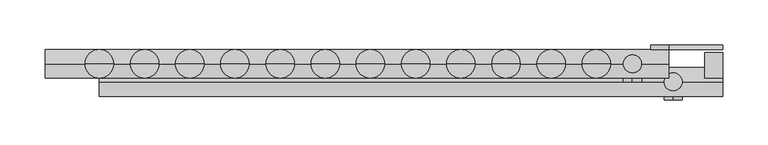
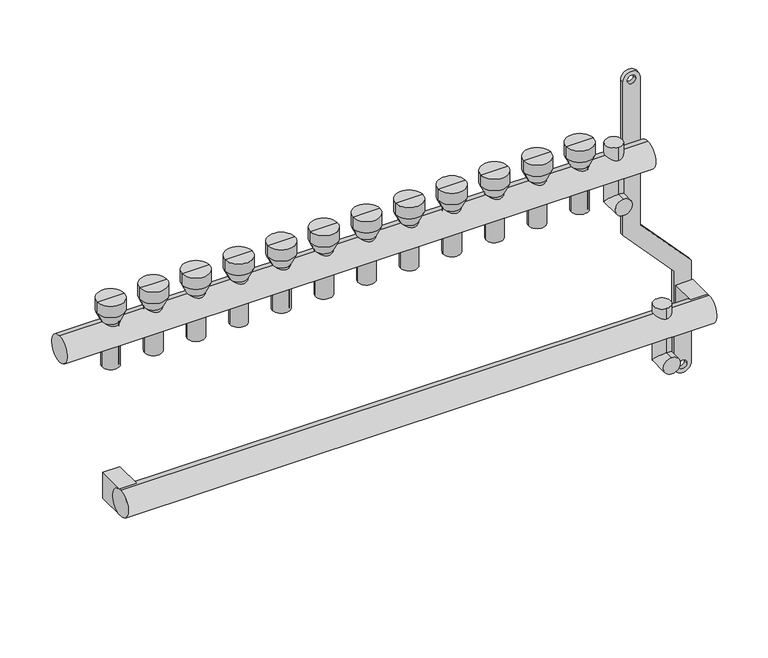
"""IFC4 building model written with IfcOpenShell, lengths in millimetres: proxy geometry."""

from ifc_helpers import new_model, si_unit, point, frame, frame_2d, origin, origin_2d, place, context, project, spatial, polyline, circle_curve, ellipse_curve, trimmed, segment, composite_curve, outline, extrude, source, transform, mapped, element, save
from ifc_brep_helpers import plane_surface, cylinder_surface, revolved_surface, advanced_brep


def mechanical_equipment_92abbb0f(model_context):
    return source(origin(), model_context, "Body", "SolidModel", [
        advanced_brep(
        [(685.0, -40.0, -250.0), (685.0, -40.0, -230.0), (685.0, -10.0, -250.0), (685.0, -30.0, -230.0), (685.0, -10.0, -175.079492), (685.0, -30.0, -175.079492)],
        [
            (0, 1, circle_curve(frame((685.0, -40.0, -240.0), z_axis=(0.0, -1.0, 0.0), x_axis=(0.0, 0.0, 1.0)), 10.0)),
            (1, 0, circle_curve(frame((685.0, -40.0, -240.0), z_axis=(0.0, -1.0, 0.0), x_axis=(0.0, 0.0, 1.0)), 10.0)),
            (0, 2),
            (2, 3, ellipse_curve(frame((685.0, -20.0, -240.0), z_axis=(0.0, -0.7071067811865475, -0.7071067811865475), x_axis=(0.0, -0.7071067811865476, 0.7071067811865474)), 14.1421356, 10.0)),
            (3, 1),
            (3, 2, ellipse_curve(frame((685.0, -20.0, -240.0), z_axis=(0.0, -0.7071067811865475, -0.7071067811865475), x_axis=(0.0, -0.7071067811865476, 0.7071067811865474)), 14.1421356, 10.0)),
            (4, 5, circle_curve(frame((685.0, -20.0, -175.079492), z_axis=(0.0, 0.0, 1.0), x_axis=(0.0, -1.0, 0.0)), 10.0)),
            (5, 4, circle_curve(frame((685.0, -20.0, -175.079492), z_axis=(0.0, 0.0, 1.0), x_axis=(0.0, -1.0, 0.0)), 10.0)),
            (2, 4),
            (5, 3),
        ],
        [
            plane_surface(frame((685.0, -40.0, -240.0), z_axis=(0.0, -1.0, 0.0), x_axis=(1.0, 0.0, 0.0))),
            cylinder_surface(frame((685.0, -40.0, -240.0), z_axis=(0.0, -1.0, 0.0), x_axis=(0.0, 0.0, 1.0)), 10.0),
            plane_surface(frame((685.0, -20.0, -175.079492), z_axis=(0.0, 0.0, 1.0), x_axis=(1.0, 0.0, 0.0))),
            cylinder_surface(frame((685.0, -20.0, -240.0), z_axis=(0.0, 0.0, -1.0), x_axis=(0.0, -1.0, 0.0)), 10.0),
        ],
        [
            (0, [[1, 2]]),
            (1, [[-1, 3, 4, 5]]),
            (1, [[-2, -5, 6, -3]]),
            (2, [[7, 8]]),
            (3, [[-4, 9, -8, 10]]),
            (3, [[-6, -10, -7, -9]]),
        ],
    ),
        advanced_brep(
        [(640.0, -20.0, -50.0), (640.0, -20.0, -30.0), (640.0, 10.0, -50.0), (640.0, -10.0, -30.0), (640.0, 10.0, 28.420508), (640.0, -10.0, 28.420508)],
        [
            (0, 1, circle_curve(frame((640.0, -20.0, -40.0), z_axis=(0.0, -1.0, 0.0), x_axis=(0.0, 0.0, 1.0)), 10.0)),
            (1, 0, circle_curve(frame((640.0, -20.0, -40.0), z_axis=(0.0, -1.0, 0.0), x_axis=(0.0, 0.0, 1.0)), 10.0)),
            (0, 2),
            (2, 3, ellipse_curve(frame((640.0, 0.0, -40.0), z_axis=(0.0, -0.7071067811865486, -0.7071067811865464), x_axis=(0.0, -0.7071067811865466, 0.7071067811865485)), 14.1421356, 10.0)),
            (3, 1),
            (3, 2, ellipse_curve(frame((640.0, 0.0, -40.0), z_axis=(0.0, -0.7071067811865486, -0.7071067811865464), x_axis=(0.0, -0.7071067811865466, 0.7071067811865485)), 14.1421356, 10.0)),
            (4, 5, circle_curve(frame((640.0, 0.0, 28.420508), z_axis=(0.0, 0.0, 1.0), x_axis=(0.0, -1.0, 0.0)), 10.0)),
            (5, 4, circle_curve(frame((640.0, 0.0, 28.420508), z_axis=(0.0, 0.0, 1.0), x_axis=(0.0, -1.0, 0.0)), 10.0)),
            (2, 4),
            (5, 3),
        ],
        [
            plane_surface(frame((640.0, -20.0, -40.0), z_axis=(0.0, -1.0, 0.0), x_axis=(1.0, 0.0, 0.0))),
            cylinder_surface(frame((640.0, -20.0, -40.0), z_axis=(0.0, -1.0, 0.0), x_axis=(0.0, 0.0, 1.0)), 10.0),
            plane_surface(frame((640.0, 0.0, 28.420508), z_axis=(0.0, 0.0, 1.0), x_axis=(1.0, 0.0, 0.0))),
            cylinder_surface(frame((640.0, 0.0, -40.0), z_axis=(0.0, 0.0, -1.0), x_axis=(0.0, -1.0, 0.0)), 10.0),
        ],
        [
            (0, [[1, 2]]),
            (1, [[-1, 3, 4, 5]]),
            (1, [[-2, -5, 6, -3]]),
            (2, [[7, 8]]),
            (3, [[-4, 9, -8, 10]]),
            (3, [[-6, -10, -7, -9]]),
        ],
    ),
        extrude(outline(composite_curve([segment(trimmed(circle_curve(frame_2d((86.2845679, 670.0)), 10.0), [point((86.2845679, 680.0))], [point((86.2845679, 660.0))], False, "CARTESIAN"), True, "CONTINUOUS"), segment(polyline([(86.2845679, 660.0), (-103.7138261, 660.0), (-169.0329221, 720.0), (-287.9537524, 720.0)]), True, "CONTINUOUS"), segment(trimmed(circle_curve(frame_2d((-287.9537524, 730.0)), 10.0), [point((-287.9537524, 720.0))], [point((-287.9537524, 740.0))], False, "CARTESIAN"), True, "CONTINUOUS"), segment(polyline([(-287.9537524, 740.0), (-162.5345282, 740.0), (-97.2154321, 680.0), (86.2845679, 680.0)]), True, "CONTINUOUS")], self_intersect=False), holes=[composite_curve([segment(trimmed(circle_curve(frame_2d((86.2845679, 670.0)), 5.0), [point((86.2845679, 665.0))], [point((86.2845679, 675.0))], True, "CARTESIAN"), True, "CONTINUOUS"), segment(trimmed(circle_curve(frame_2d((86.2845679, 670.0)), 5.0), [point((86.2845679, 675.0))], [point((86.2845679, 665.0))], True, "CARTESIAN"), True, "CONTINUOUS")], self_intersect=False), composite_curve([segment(trimmed(circle_curve(frame_2d((-287.9537524, 730.0)), 5.0), [point((-287.9537524, 725.0))], [point((-287.9537524, 735.0))], True, "CARTESIAN"), True, "CONTINUOUS"), segment(trimmed(circle_curve(frame_2d((-287.9537524, 730.0)), 5.0), [point((-287.9537524, 735.0))], [point((-287.9537524, 725.0))], True, "CARTESIAN"), True, "CONTINUOUS")], self_intersect=False)]), frame((0.0, 16.0, 0.0), z_axis=(0.0, 1.0, 0.0), x_axis=(0.0, 0.0, 1.0)), (0.0, 0.0, 1.0), 4.847249),
        extrude(outline(composite_curve([segment(trimmed(circle_curve(frame_2d((-20.0, -200.0)), 16.0), [point((-20.0, -216.0))], [point((-20.0, -184.0))], False, "CARTESIAN"), True, "CONTINUOUS"), segment(trimmed(circle_curve(frame_2d((-20.0, -200.0)), 16.0), [point((-20.0, -184.0))], [point((-20.0, -216.0))], False, "CARTESIAN"), True, "CONTINUOUS")], self_intersect=False)), frame((50.0, 0.0, 0.0), z_axis=(1.0, 0.0, 0.0), x_axis=(0.0, 1.0, 0.0)), (0.0, 0.0, 1.0), 690.0),
        extrude(outline(composite_curve([segment(trimmed(circle_curve(origin_2d(), 16.0), [point((0.0, -16.0))], [point((0.0, 16.0))], False, "CARTESIAN"), True, "CONTINUOUS"), segment(trimmed(circle_curve(origin_2d(), 16.0), [point((0.0, 16.0))], [point((0.0, -16.0))], False, "CARTESIAN"), True, "CONTINUOUS")], self_intersect=False)), frame((-10.0, 0.0, 0.0), z_axis=(1.0, 0.0, 0.0), x_axis=(0.0, 1.0, 0.0)), (0.0, 0.0, 1.0), 690.0),
        extrude(outline(polyline([(740.0, 12.5), (740.0, -20.0), (720.0, -20.0), (720.0, 12.5), (740.0, 12.5)])), frame((0.0, 0.0, -216.0), z_axis=(0.0, 0.0, 1.0), x_axis=(1.0, 0.0, 0.0)), (0.0, 0.0, 1.0), 32.0),
        extrude(outline(polyline([(70.0, 16.0), (70.0, -20.0), (50.0, -20.0), (50.0, 16.0), (70.0, 16.0)])), frame((0.0, 0.0, -216.0), z_axis=(0.0, 0.0, 1.0), x_axis=(1.0, 0.0, 0.0)), (0.0, 0.0, 1.0), 32.0),
        advanced_brep(
        [(608.0, 0.0, -40.0), (592.0, 0.0, -40.0), (592.0, 0.0, 16.0), (608.0, 0.0, 16.0), (610.0, 0.0, -40.0), (590.0, 0.0, -40.0), (610.0, 0.0, 16.0), (590.0, 0.0, 16.0), (615.791778, 0.0, 28.420508), (584.208222, 0.0, 28.420508), (615.791778, 0.0, 42.4712727), (584.208222, 0.0, 42.4712727), (600.0, 0.0, 42.4712727), (600.0, 0.0, 16.0)],
        [
            (0, 1, circle_curve(frame((600.0, 0.0, -40.0), z_axis=(0.0, 0.0, -1.0), x_axis=(-1.0, 0.0, 0.0)), 8.0)),
            (1, 2),
            (2, 3, circle_curve(frame((600.0, 0.0, 16.0), z_axis=(0.0, 0.0, 1.0), x_axis=(-1.0, 0.0, 0.0)), 8.0)),
            (3, 0),
            (1, 0, circle_curve(frame((600.0, 0.0, -40.0), z_axis=(0.0, 0.0, -1.0), x_axis=(-1.0, 0.0, 0.0)), 8.0)),
            (3, 2, circle_curve(frame((600.0, 0.0, 16.0), z_axis=(0.0, 0.0, 1.0), x_axis=(-1.0, 0.0, 0.0)), 8.0)),
            (4, 5, circle_curve(frame((600.0, 0.0, -40.0), z_axis=(0.0, 0.0, -1.0), x_axis=(-1.0, 0.0, 0.0)), 10.0)),
            (5, 1),
            (0, 4),
            (5, 4, circle_curve(frame((600.0, 0.0, -40.0), z_axis=(0.0, 0.0, -1.0), x_axis=(-1.0, 0.0, 0.0)), 10.0)),
            (6, 7, circle_curve(frame((600.0, 0.0, 16.0), z_axis=(0.0, 0.0, -1.0), x_axis=(-1.0, 0.0, 0.0)), 10.0)),
            (7, 5),
            (4, 6),
            (7, 6, circle_curve(frame((600.0, 0.0, 16.0), z_axis=(0.0, 0.0, -1.0), x_axis=(-1.0, 0.0, 0.0)), 10.0)),
            (8, 9, circle_curve(frame((600.0, 0.0, 28.420508), z_axis=(0.0, 0.0, -1.0), x_axis=(-1.0, 0.0, 0.0)), 15.791778)),
            (9, 7),
            (6, 8),
            (9, 8, circle_curve(frame((600.0, 0.0, 28.420508), z_axis=(0.0, 0.0, -1.0), x_axis=(-1.0, 0.0, 0.0)), 15.791778)),
            (10, 11, circle_curve(frame((600.0, 0.0, 42.4712727), z_axis=(0.0, 0.0, -1.0), x_axis=(-1.0, 0.0, 0.0)), 15.791778)),
            (11, 9),
            (8, 10),
            (11, 10, circle_curve(frame((600.0, 0.0, 42.4712727), z_axis=(0.0, 0.0, -1.0), x_axis=(-1.0, 0.0, 0.0)), 15.791778)),
            (12, 11),
            (10, 12),
            (2, 13),
            (13, 3),
        ],
        [
            revolved_surface(polyline([(592.0, 0.0, 16.0), (592.0, 0.0, -40.0)]), (600.0, 0.0, 0.0), (0.0, 0.0, 1.0)),
            plane_surface(frame((600.0, 0.0, -40.0), z_axis=(0.0, 0.0, -1.0), x_axis=(-1.0, 0.0, 0.0))),
            cylinder_surface(frame((600.0, 0.0, 0.0), z_axis=(0.0, 0.0, 1.0), x_axis=(-1.0, 0.0, 0.0)), 10.0),
            revolved_surface(polyline([(590.0, 0.0, 16.0), (584.208222, 0.0, 28.420508)]), (600.0, 0.0, 0.0), (0.0, 0.0, 1.0)),
            cylinder_surface(frame((600.0, 0.0, 0.0), z_axis=(0.0, 0.0, 1.0), x_axis=(-1.0, 0.0, 0.0)), 15.791778),
            plane_surface(frame((600.0, 0.0, 42.4712727), z_axis=(0.0, 0.0, 1.0), x_axis=(-1.0, 0.0, 0.0))),
            plane_surface(frame((600.0, 0.0, 16.0), z_axis=(0.0, 0.0, -1.0), x_axis=(-1.0, 0.0, 0.0))),
        ],
        [
            (0, [[1, 2, 3, 4]]),
            (0, [[5, -4, 6, -2]]),
            (1, [[7, 8, -1, 9]]),
            (1, [[10, -9, -5, -8]]),
            (2, [[11, 12, -7, 13]]),
            (2, [[14, -13, -10, -12]]),
            (3, [[15, 16, -11, 17]]),
            (3, [[18, -17, -14, -16]]),
            (4, [[19, 20, -15, 21]]),
            (4, [[22, -21, -18, -20]]),
            (5, [[23, -19, 24]]),
            (5, [[-24, -22, -23]]),
            (6, [[-3, 25, 26]]),
            (6, [[-6, -26, -25]]),
        ],
    ),
        advanced_brep(
        [(558.0, 0.0, -40.0), (542.0, 0.0, -40.0), (542.0, 0.0, 16.0), (558.0, 0.0, 16.0), (560.0, 0.0, -40.0), (540.0, 0.0, -40.0), (560.0, 0.0, 16.0), (540.0, 0.0, 16.0), (565.791778, 0.0, 28.420508), (534.208222, 0.0, 28.420508), (565.791778, 0.0, 42.4712727), (534.208222, 0.0, 42.4712727), (550.0, 0.0, 42.4712727), (550.0, 0.0, 16.0)],
        [
            (0, 1, circle_curve(frame((550.0, 0.0, -40.0), z_axis=(0.0, 0.0, -1.0), x_axis=(-1.0, 0.0, 0.0)), 8.0)),
            (1, 2),
            (2, 3, circle_curve(frame((550.0, 0.0, 16.0), z_axis=(0.0, 0.0, 1.0), x_axis=(-1.0, 0.0, 0.0)), 8.0)),
            (3, 0),
            (1, 0, circle_curve(frame((550.0, 0.0, -40.0), z_axis=(0.0, 0.0, -1.0), x_axis=(-1.0, 0.0, 0.0)), 8.0)),
            (3, 2, circle_curve(frame((550.0, 0.0, 16.0), z_axis=(0.0, 0.0, 1.0), x_axis=(-1.0, 0.0, 0.0)), 8.0)),
            (4, 5, circle_curve(frame((550.0, 0.0, -40.0), z_axis=(0.0, 0.0, -1.0), x_axis=(-1.0, 0.0, 0.0)), 10.0)),
            (5, 1),
            (0, 4),
            (5, 4, circle_curve(frame((550.0, 0.0, -40.0), z_axis=(0.0, 0.0, -1.0), x_axis=(-1.0, 0.0, 0.0)), 10.0)),
            (6, 7, circle_curve(frame((550.0, 0.0, 16.0), z_axis=(0.0, 0.0, -1.0), x_axis=(-1.0, 0.0, 0.0)), 10.0)),
            (7, 5),
            (4, 6),
            (7, 6, circle_curve(frame((550.0, 0.0, 16.0), z_axis=(0.0, 0.0, -1.0), x_axis=(-1.0, 0.0, 0.0)), 10.0)),
            (8, 9, circle_curve(frame((550.0, 0.0, 28.420508), z_axis=(0.0, 0.0, -1.0), x_axis=(-1.0, 0.0, 0.0)), 15.791778)),
            (9, 7),
            (6, 8),
            (9, 8, circle_curve(frame((550.0, 0.0, 28.420508), z_axis=(0.0, 0.0, -1.0), x_axis=(-1.0, 0.0, 0.0)), 15.791778)),
            (10, 11, circle_curve(frame((550.0, 0.0, 42.4712727), z_axis=(0.0, 0.0, -1.0), x_axis=(-1.0, 0.0, 0.0)), 15.791778)),
            (11, 9),
            (8, 10),
            (11, 10, circle_curve(frame((550.0, 0.0, 42.4712727), z_axis=(0.0, 0.0, -1.0), x_axis=(-1.0, 0.0, 0.0)), 15.791778)),
            (12, 11),
            (10, 12),
            (2, 13),
            (13, 3),
        ],
        [
            revolved_surface(polyline([(542.0, 0.0, 16.0), (542.0, 0.0, -40.0)]), (550.0, 0.0, 0.0), (0.0, 0.0, 1.0)),
            plane_surface(frame((550.0, 0.0, -40.0), z_axis=(0.0, 0.0, -1.0), x_axis=(-1.0, 0.0, 0.0))),
            cylinder_surface(frame((550.0, 0.0, 0.0), z_axis=(0.0, 0.0, 1.0), x_axis=(-1.0, 0.0, 0.0)), 10.0),
            revolved_surface(polyline([(540.0, 0.0, 16.0), (534.208222, 0.0, 28.420508)]), (550.0, 0.0, 0.0), (0.0, 0.0, 1.0)),
            cylinder_surface(frame((550.0, 0.0, 0.0), z_axis=(0.0, 0.0, 1.0), x_axis=(-1.0, 0.0, 0.0)), 15.791778),
            plane_surface(frame((550.0, 0.0, 42.4712727), z_axis=(0.0, 0.0, 1.0), x_axis=(-1.0, 0.0, 0.0))),
            plane_surface(frame((550.0, 0.0, 16.0), z_axis=(0.0, 0.0, -1.0), x_axis=(-1.0, 0.0, 0.0))),
        ],
        [
            (0, [[1, 2, 3, 4]]),
            (0, [[5, -4, 6, -2]]),
            (1, [[7, 8, -1, 9]]),
            (1, [[10, -9, -5, -8]]),
            (2, [[11, 12, -7, 13]]),
            (2, [[14, -13, -10, -12]]),
            (3, [[15, 16, -11, 17]]),
            (3, [[18, -17, -14, -16]]),
            (4, [[19, 20, -15, 21]]),
            (4, [[22, -21, -18, -20]]),
            (5, [[23, -19, 24]]),
            (5, [[-24, -22, -23]]),
            (6, [[-3, 25, 26]]),
            (6, [[-6, -26, -25]]),
        ],
    ),
        advanced_brep(
        [(508.0, 0.0, -40.0), (492.0, 0.0, -40.0), (492.0, 0.0, 16.0), (508.0, 0.0, 16.0), (510.0, 0.0, -40.0), (490.0, 0.0, -40.0), (510.0, 0.0, 16.0), (490.0, 0.0, 16.0), (515.791778, 0.0, 28.420508), (484.208222, 0.0, 28.420508), (515.791778, 0.0, 42.4712727), (484.208222, 0.0, 42.4712727), (500.0, 0.0, 42.4712727), (500.0, 0.0, 16.0)],
        [
            (0, 1, circle_curve(frame((500.0, 0.0, -40.0), z_axis=(0.0, 0.0, -1.0), x_axis=(-1.0, 0.0, 0.0)), 8.0)),
            (1, 2),
            (2, 3, circle_curve(frame((500.0, 0.0, 16.0), z_axis=(0.0, 0.0, 1.0), x_axis=(-1.0, 0.0, 0.0)), 8.0)),
            (3, 0),
            (1, 0, circle_curve(frame((500.0, 0.0, -40.0), z_axis=(0.0, 0.0, -1.0), x_axis=(-1.0, 0.0, 0.0)), 8.0)),
            (3, 2, circle_curve(frame((500.0, 0.0, 16.0), z_axis=(0.0, 0.0, 1.0), x_axis=(-1.0, 0.0, 0.0)), 8.0)),
            (4, 5, circle_curve(frame((500.0, 0.0, -40.0), z_axis=(0.0, 0.0, -1.0), x_axis=(-1.0, 0.0, 0.0)), 10.0)),
            (5, 1),
            (0, 4),
            (5, 4, circle_curve(frame((500.0, 0.0, -40.0), z_axis=(0.0, 0.0, -1.0), x_axis=(-1.0, 0.0, 0.0)), 10.0)),
            (6, 7, circle_curve(frame((500.0, 0.0, 16.0), z_axis=(0.0, 0.0, -1.0), x_axis=(-1.0, 0.0, 0.0)), 10.0)),
            (7, 5),
            (4, 6),
            (7, 6, circle_curve(frame((500.0, 0.0, 16.0), z_axis=(0.0, 0.0, -1.0), x_axis=(-1.0, 0.0, 0.0)), 10.0)),
            (8, 9, circle_curve(frame((500.0, 0.0, 28.420508), z_axis=(0.0, 0.0, -1.0), x_axis=(-1.0, 0.0, 0.0)), 15.791778)),
            (9, 7),
            (6, 8),
            (9, 8, circle_curve(frame((500.0, 0.0, 28.420508), z_axis=(0.0, 0.0, -1.0), x_axis=(-1.0, 0.0, 0.0)), 15.791778)),
            (10, 11, circle_curve(frame((500.0, 0.0, 42.4712727), z_axis=(0.0, 0.0, -1.0), x_axis=(-1.0, 0.0, 0.0)), 15.791778)),
            (11, 9),
            (8, 10),
            (11, 10, circle_curve(frame((500.0, 0.0, 42.4712727), z_axis=(0.0, 0.0, -1.0), x_axis=(-1.0, 0.0, 0.0)), 15.791778)),
            (12, 11),
            (10, 12),
            (2, 13),
            (13, 3),
        ],
        [
            revolved_surface(polyline([(492.0, 0.0, 16.0), (492.0, 0.0, -40.0)]), (500.0, 0.0, 0.0), (0.0, 0.0, 1.0)),
            plane_surface(frame((500.0, 0.0, -40.0), z_axis=(0.0, 0.0, -1.0), x_axis=(-1.0, 0.0, 0.0))),
            cylinder_surface(frame((500.0, 0.0, 0.0), z_axis=(0.0, 0.0, 1.0), x_axis=(-1.0, 0.0, 0.0)), 10.0),
            revolved_surface(polyline([(490.0, 0.0, 16.0), (484.208222, 0.0, 28.420508)]), (500.0, 0.0, 0.0), (0.0, 0.0, 1.0)),
            cylinder_surface(frame((500.0, 0.0, 0.0), z_axis=(0.0, 0.0, 1.0), x_axis=(-1.0, 0.0, 0.0)), 15.791778),
            plane_surface(frame((500.0, 0.0, 42.4712727), z_axis=(0.0, 0.0, 1.0), x_axis=(-1.0, 0.0, 0.0))),
            plane_surface(frame((500.0, 0.0, 16.0), z_axis=(0.0, 0.0, -1.0), x_axis=(-1.0, 0.0, 0.0))),
        ],
        [
            (0, [[1, 2, 3, 4]]),
            (0, [[5, -4, 6, -2]]),
            (1, [[7, 8, -1, 9]]),
            (1, [[10, -9, -5, -8]]),
            (2, [[11, 12, -7, 13]]),
            (2, [[14, -13, -10, -12]]),
            (3, [[15, 16, -11, 17]]),
            (3, [[18, -17, -14, -16]]),
            (4, [[19, 20, -15, 21]]),
            (4, [[22, -21, -18, -20]]),
            (5, [[23, -19, 24]]),
            (5, [[-24, -22, -23]]),
            (6, [[-3, 25, 26]]),
            (6, [[-6, -26, -25]]),
        ],
    ),
        advanced_brep(
        [(458.0, 0.0, -40.0), (442.0, 0.0, -40.0), (442.0, 0.0, 16.0), (458.0, 0.0, 16.0), (460.0, 0.0, -40.0), (440.0, 0.0, -40.0), (460.0, 0.0, 16.0), (440.0, 0.0, 16.0), (465.791778, 0.0, 28.420508), (434.208222, 0.0, 28.420508), (465.791778, 0.0, 42.4712727), (434.208222, 0.0, 42.4712727), (450.0, 0.0, 42.4712727), (450.0, 0.0, 16.0)],
        [
            (0, 1, circle_curve(frame((450.0, 0.0, -40.0), z_axis=(0.0, 0.0, -1.0), x_axis=(-1.0, 0.0, 0.0)), 8.0)),
            (1, 2),
            (2, 3, circle_curve(frame((450.0, 0.0, 16.0), z_axis=(0.0, 0.0, 1.0), x_axis=(-1.0, 0.0, 0.0)), 8.0)),
            (3, 0),
            (1, 0, circle_curve(frame((450.0, 0.0, -40.0), z_axis=(0.0, 0.0, -1.0), x_axis=(-1.0, 0.0, 0.0)), 8.0)),
            (3, 2, circle_curve(frame((450.0, 0.0, 16.0), z_axis=(0.0, 0.0, 1.0), x_axis=(-1.0, 0.0, 0.0)), 8.0)),
            (4, 5, circle_curve(frame((450.0, 0.0, -40.0), z_axis=(0.0, 0.0, -1.0), x_axis=(-1.0, 0.0, 0.0)), 10.0)),
            (5, 1),
            (0, 4),
            (5, 4, circle_curve(frame((450.0, 0.0, -40.0), z_axis=(0.0, 0.0, -1.0), x_axis=(-1.0, 0.0, 0.0)), 10.0)),
            (6, 7, circle_curve(frame((450.0, 0.0, 16.0), z_axis=(0.0, 0.0, -1.0), x_axis=(-1.0, 0.0, 0.0)), 10.0)),
            (7, 5),
            (4, 6),
            (7, 6, circle_curve(frame((450.0, 0.0, 16.0), z_axis=(0.0, 0.0, -1.0), x_axis=(-1.0, 0.0, 0.0)), 10.0)),
            (8, 9, circle_curve(frame((450.0, 0.0, 28.420508), z_axis=(0.0, 0.0, -1.0), x_axis=(-1.0, 0.0, 0.0)), 15.791778)),
            (9, 7),
            (6, 8),
            (9, 8, circle_curve(frame((450.0, 0.0, 28.420508), z_axis=(0.0, 0.0, -1.0), x_axis=(-1.0, 0.0, 0.0)), 15.791778)),
            (10, 11, circle_curve(frame((450.0, 0.0, 42.4712727), z_axis=(0.0, 0.0, -1.0), x_axis=(-1.0, 0.0, 0.0)), 15.791778)),
            (11, 9),
            (8, 10),
            (11, 10, circle_curve(frame((450.0, 0.0, 42.4712727), z_axis=(0.0, 0.0, -1.0), x_axis=(-1.0, 0.0, 0.0)), 15.791778)),
            (12, 11),
            (10, 12),
            (2, 13),
            (13, 3),
        ],
        [
            revolved_surface(polyline([(442.0, 0.0, 16.0), (442.0, 0.0, -40.0)]), (450.0, 0.0, 0.0), (0.0, 0.0, 1.0)),
            plane_surface(frame((450.0, 0.0, -40.0), z_axis=(0.0, 0.0, -1.0), x_axis=(-1.0, 0.0, 0.0))),
            cylinder_surface(frame((450.0, 0.0, 0.0), z_axis=(0.0, 0.0, 1.0), x_axis=(-1.0, 0.0, 0.0)), 10.0),
            revolved_surface(polyline([(440.0, 0.0, 16.0), (434.208222, 0.0, 28.420508)]), (450.0, 0.0, 0.0), (0.0, 0.0, 1.0)),
            cylinder_surface(frame((450.0, 0.0, 0.0), z_axis=(0.0, 0.0, 1.0), x_axis=(-1.0, 0.0, 0.0)), 15.791778),
            plane_surface(frame((450.0, 0.0, 42.4712727), z_axis=(0.0, 0.0, 1.0), x_axis=(-1.0, 0.0, 0.0))),
            plane_surface(frame((450.0, 0.0, 16.0), z_axis=(0.0, 0.0, -1.0), x_axis=(-1.0, 0.0, 0.0))),
        ],
        [
            (0, [[1, 2, 3, 4]]),
            (0, [[5, -4, 6, -2]]),
            (1, [[7, 8, -1, 9]]),
            (1, [[10, -9, -5, -8]]),
            (2, [[11, 12, -7, 13]]),
            (2, [[14, -13, -10, -12]]),
            (3, [[15, 16, -11, 17]]),
            (3, [[18, -17, -14, -16]]),
            (4, [[19, 20, -15, 21]]),
            (4, [[22, -21, -18, -20]]),
            (5, [[23, -19, 24]]),
            (5, [[-24, -22, -23]]),
            (6, [[-3, 25, 26]]),
            (6, [[-6, -26, -25]]),
        ],
    ),
        advanced_brep(
        [(408.0, 0.0, -40.0), (392.0, 0.0, -40.0), (392.0, 0.0, 16.0), (408.0, 0.0, 16.0), (410.0, 0.0, -40.0), (390.0, 0.0, -40.0), (410.0, 0.0, 16.0), (390.0, 0.0, 16.0), (415.791778, 0.0, 28.420508), (384.208222, 0.0, 28.420508), (415.791778, 0.0, 42.4712727), (384.208222, 0.0, 42.4712727), (400.0, 0.0, 42.4712727), (400.0, 0.0, 16.0)],
        [
            (0, 1, circle_curve(frame((400.0, 0.0, -40.0), z_axis=(0.0, 0.0, -1.0), x_axis=(-1.0, 0.0, 0.0)), 8.0)),
            (1, 2),
            (2, 3, circle_curve(frame((400.0, 0.0, 16.0), z_axis=(0.0, 0.0, 1.0), x_axis=(-1.0, 0.0, 0.0)), 8.0)),
            (3, 0),
            (1, 0, circle_curve(frame((400.0, 0.0, -40.0), z_axis=(0.0, 0.0, -1.0), x_axis=(-1.0, 0.0, 0.0)), 8.0)),
            (3, 2, circle_curve(frame((400.0, 0.0, 16.0), z_axis=(0.0, 0.0, 1.0), x_axis=(-1.0, 0.0, 0.0)), 8.0)),
            (4, 5, circle_curve(frame((400.0, 0.0, -40.0), z_axis=(0.0, 0.0, -1.0), x_axis=(-1.0, 0.0, 0.0)), 10.0)),
            (5, 1),
            (0, 4),
            (5, 4, circle_curve(frame((400.0, 0.0, -40.0), z_axis=(0.0, 0.0, -1.0), x_axis=(-1.0, 0.0, 0.0)), 10.0)),
            (6, 7, circle_curve(frame((400.0, 0.0, 16.0), z_axis=(0.0, 0.0, -1.0), x_axis=(-1.0, 0.0, 0.0)), 10.0)),
            (7, 5),
            (4, 6),
            (7, 6, circle_curve(frame((400.0, 0.0, 16.0), z_axis=(0.0, 0.0, -1.0), x_axis=(-1.0, 0.0, 0.0)), 10.0)),
            (8, 9, circle_curve(frame((400.0, 0.0, 28.420508), z_axis=(0.0, 0.0, -1.0), x_axis=(-1.0, 0.0, 0.0)), 15.791778)),
            (9, 7),
            (6, 8),
            (9, 8, circle_curve(frame((400.0, 0.0, 28.420508), z_axis=(0.0, 0.0, -1.0), x_axis=(-1.0, 0.0, 0.0)), 15.791778)),
            (10, 11, circle_curve(frame((400.0, 0.0, 42.4712727), z_axis=(0.0, 0.0, -1.0), x_axis=(-1.0, 0.0, 0.0)), 15.791778)),
            (11, 9),
            (8, 10),
            (11, 10, circle_curve(frame((400.0, 0.0, 42.4712727), z_axis=(0.0, 0.0, -1.0), x_axis=(-1.0, 0.0, 0.0)), 15.791778)),
            (12, 11),
            (10, 12),
            (2, 13),
            (13, 3),
        ],
        [
            revolved_surface(polyline([(392.0, 0.0, 16.0), (392.0, 0.0, -40.0)]), (400.0, 0.0, 0.0), (0.0, 0.0, 1.0)),
            plane_surface(frame((400.0, 0.0, -40.0), z_axis=(0.0, 0.0, -1.0), x_axis=(-1.0, 0.0, 0.0))),
            cylinder_surface(frame((400.0, 0.0, 0.0), z_axis=(0.0, 0.0, 1.0), x_axis=(-1.0, 0.0, 0.0)), 10.0),
            revolved_surface(polyline([(390.0, 0.0, 16.0), (384.208222, 0.0, 28.420508)]), (400.0, 0.0, 0.0), (0.0, 0.0, 1.0)),
            cylinder_surface(frame((400.0, 0.0, 0.0), z_axis=(0.0, 0.0, 1.0), x_axis=(-1.0, 0.0, 0.0)), 15.791778),
            plane_surface(frame((400.0, 0.0, 42.4712727), z_axis=(0.0, 0.0, 1.0), x_axis=(-1.0, 0.0, 0.0))),
            plane_surface(frame((400.0, 0.0, 16.0), z_axis=(0.0, 0.0, -1.0), x_axis=(-1.0, 0.0, 0.0))),
        ],
        [
            (0, [[1, 2, 3, 4]]),
            (0, [[5, -4, 6, -2]]),
            (1, [[7, 8, -1, 9]]),
            (1, [[10, -9, -5, -8]]),
            (2, [[11, 12, -7, 13]]),
            (2, [[14, -13, -10, -12]]),
            (3, [[15, 16, -11, 17]]),
            (3, [[18, -17, -14, -16]]),
            (4, [[19, 20, -15, 21]]),
            (4, [[22, -21, -18, -20]]),
            (5, [[23, -19, 24]]),
            (5, [[-24, -22, -23]]),
            (6, [[-3, 25, 26]]),
            (6, [[-6, -26, -25]]),
        ],
    ),
        advanced_brep(
        [(358.0, 0.0, -40.0), (342.0, 0.0, -40.0), (342.0, 0.0, 16.0), (358.0, 0.0, 16.0), (360.0, 0.0, -40.0), (340.0, 0.0, -40.0), (360.0, 0.0, 16.0), (340.0, 0.0, 16.0), (365.791778, 0.0, 28.420508), (334.208222, 0.0, 28.420508), (365.791778, 0.0, 42.4712727), (334.208222, 0.0, 42.4712727), (350.0, 0.0, 42.4712727), (350.0, 0.0, 16.0)],
        [
            (0, 1, circle_curve(frame((350.0, 0.0, -40.0), z_axis=(0.0, 0.0, -1.0), x_axis=(-1.0, 0.0, 0.0)), 8.0)),
            (1, 2),
            (2, 3, circle_curve(frame((350.0, 0.0, 16.0), z_axis=(0.0, 0.0, 1.0), x_axis=(-1.0, 0.0, 0.0)), 8.0)),
            (3, 0),
            (1, 0, circle_curve(frame((350.0, 0.0, -40.0), z_axis=(0.0, 0.0, -1.0), x_axis=(-1.0, 0.0, 0.0)), 8.0)),
            (3, 2, circle_curve(frame((350.0, 0.0, 16.0), z_axis=(0.0, 0.0, 1.0), x_axis=(-1.0, 0.0, 0.0)), 8.0)),
            (4, 5, circle_curve(frame((350.0, 0.0, -40.0), z_axis=(0.0, 0.0, -1.0), x_axis=(-1.0, 0.0, 0.0)), 10.0)),
            (5, 1),
            (0, 4),
            (5, 4, circle_curve(frame((350.0, 0.0, -40.0), z_axis=(0.0, 0.0, -1.0), x_axis=(-1.0, 0.0, 0.0)), 10.0)),
            (6, 7, circle_curve(frame((350.0, 0.0, 16.0), z_axis=(0.0, 0.0, -1.0), x_axis=(-1.0, 0.0, 0.0)), 10.0)),
            (7, 5),
            (4, 6),
            (7, 6, circle_curve(frame((350.0, 0.0, 16.0), z_axis=(0.0, 0.0, -1.0), x_axis=(-1.0, 0.0, 0.0)), 10.0)),
            (8, 9, circle_curve(frame((350.0, 0.0, 28.420508), z_axis=(0.0, 0.0, -1.0), x_axis=(-1.0, 0.0, 0.0)), 15.791778)),
            (9, 7),
            (6, 8),
            (9, 8, circle_curve(frame((350.0, 0.0, 28.420508), z_axis=(0.0, 0.0, -1.0), x_axis=(-1.0, 0.0, 0.0)), 15.791778)),
            (10, 11, circle_curve(frame((350.0, 0.0, 42.4712727), z_axis=(0.0, 0.0, -1.0), x_axis=(-1.0, 0.0, 0.0)), 15.791778)),
            (11, 9),
            (8, 10),
            (11, 10, circle_curve(frame((350.0, 0.0, 42.4712727), z_axis=(0.0, 0.0, -1.0), x_axis=(-1.0, 0.0, 0.0)), 15.791778)),
            (12, 11),
            (10, 12),
            (2, 13),
            (13, 3),
        ],
        [
            revolved_surface(polyline([(342.0, 0.0, 16.0), (342.0, 0.0, -40.0)]), (350.0, 0.0, 0.0), (0.0, 0.0, 1.0)),
            plane_surface(frame((350.0, 0.0, -40.0), z_axis=(0.0, 0.0, -1.0), x_axis=(-1.0, 0.0, 0.0))),
            cylinder_surface(frame((350.0, 0.0, 0.0), z_axis=(0.0, 0.0, 1.0), x_axis=(-1.0, 0.0, 0.0)), 10.0),
            revolved_surface(polyline([(340.0, 0.0, 16.0), (334.208222, 0.0, 28.420508)]), (350.0, 0.0, 0.0), (0.0, 0.0, 1.0)),
            cylinder_surface(frame((350.0, 0.0, 0.0), z_axis=(0.0, 0.0, 1.0), x_axis=(-1.0, 0.0, 0.0)), 15.791778),
            plane_surface(frame((350.0, 0.0, 42.4712727), z_axis=(0.0, 0.0, 1.0), x_axis=(-1.0, 0.0, 0.0))),
            plane_surface(frame((350.0, 0.0, 16.0), z_axis=(0.0, 0.0, -1.0), x_axis=(-1.0, 0.0, 0.0))),
        ],
        [
            (0, [[1, 2, 3, 4]]),
            (0, [[5, -4, 6, -2]]),
            (1, [[7, 8, -1, 9]]),
            (1, [[10, -9, -5, -8]]),
            (2, [[11, 12, -7, 13]]),
            (2, [[14, -13, -10, -12]]),
            (3, [[15, 16, -11, 17]]),
            (3, [[18, -17, -14, -16]]),
            (4, [[19, 20, -15, 21]]),
            (4, [[22, -21, -18, -20]]),
            (5, [[23, -19, 24]]),
            (5, [[-24, -22, -23]]),
            (6, [[-3, 25, 26]]),
            (6, [[-6, -26, -25]]),
        ],
    ),
        advanced_brep(
        [(308.0, 0.0, -40.0), (292.0, 0.0, -40.0), (292.0, 0.0, 16.0), (308.0, 0.0, 16.0), (310.0, 0.0, -40.0), (290.0, 0.0, -40.0), (310.0, 0.0, 16.0), (290.0, 0.0, 16.0), (315.791778, 0.0, 28.420508), (284.208222, 0.0, 28.420508), (315.791778, 0.0, 42.4712727), (284.208222, 0.0, 42.4712727), (300.0, 0.0, 42.4712727), (300.0, 0.0, 16.0)],
        [
            (0, 1, circle_curve(frame((300.0, 0.0, -40.0), z_axis=(0.0, 0.0, -1.0), x_axis=(-1.0, 0.0, 0.0)), 8.0)),
            (1, 2),
            (2, 3, circle_curve(frame((300.0, 0.0, 16.0), z_axis=(0.0, 0.0, 1.0), x_axis=(-1.0, 0.0, 0.0)), 8.0)),
            (3, 0),
            (1, 0, circle_curve(frame((300.0, 0.0, -40.0), z_axis=(0.0, 0.0, -1.0), x_axis=(-1.0, 0.0, 0.0)), 8.0)),
            (3, 2, circle_curve(frame((300.0, 0.0, 16.0), z_axis=(0.0, 0.0, 1.0), x_axis=(-1.0, 0.0, 0.0)), 8.0)),
            (4, 5, circle_curve(frame((300.0, 0.0, -40.0), z_axis=(0.0, 0.0, -1.0), x_axis=(-1.0, 0.0, 0.0)), 10.0)),
            (5, 1),
            (0, 4),
            (5, 4, circle_curve(frame((300.0, 0.0, -40.0), z_axis=(0.0, 0.0, -1.0), x_axis=(-1.0, 0.0, 0.0)), 10.0)),
            (6, 7, circle_curve(frame((300.0, 0.0, 16.0), z_axis=(0.0, 0.0, -1.0), x_axis=(-1.0, 0.0, 0.0)), 10.0)),
            (7, 5),
            (4, 6),
            (7, 6, circle_curve(frame((300.0, 0.0, 16.0), z_axis=(0.0, 0.0, -1.0), x_axis=(-1.0, 0.0, 0.0)), 10.0)),
            (8, 9, circle_curve(frame((300.0, 0.0, 28.420508), z_axis=(0.0, 0.0, -1.0), x_axis=(-1.0, 0.0, 0.0)), 15.791778)),
            (9, 7),
            (6, 8),
            (9, 8, circle_curve(frame((300.0, 0.0, 28.420508), z_axis=(0.0, 0.0, -1.0), x_axis=(-1.0, 0.0, 0.0)), 15.791778)),
            (10, 11, circle_curve(frame((300.0, 0.0, 42.4712727), z_axis=(0.0, 0.0, -1.0), x_axis=(-1.0, 0.0, 0.0)), 15.791778)),
            (11, 9),
            (8, 10),
            (11, 10, circle_curve(frame((300.0, 0.0, 42.4712727), z_axis=(0.0, 0.0, -1.0), x_axis=(-1.0, 0.0, 0.0)), 15.791778)),
            (12, 11),
            (10, 12),
            (2, 13),
            (13, 3),
        ],
        [
            revolved_surface(polyline([(292.0, 0.0, 16.0), (292.0, 0.0, -40.0)]), (300.0, 0.0, 0.0), (0.0, 0.0, 1.0)),
            plane_surface(frame((300.0, 0.0, -40.0), z_axis=(0.0, 0.0, -1.0), x_axis=(-1.0, 0.0, 0.0))),
            cylinder_surface(frame((300.0, 0.0, 0.0), z_axis=(0.0, 0.0, 1.0), x_axis=(-1.0, 0.0, 0.0)), 10.0),
            revolved_surface(polyline([(290.0, 0.0, 16.0), (284.208222, 0.0, 28.420508)]), (300.0, 0.0, 0.0), (0.0, 0.0, 1.0)),
            cylinder_surface(frame((300.0, 0.0, 0.0), z_axis=(0.0, 0.0, 1.0), x_axis=(-1.0, 0.0, 0.0)), 15.791778),
            plane_surface(frame((300.0, 0.0, 42.4712727), z_axis=(0.0, 0.0, 1.0), x_axis=(-1.0, 0.0, 0.0))),
            plane_surface(frame((300.0, 0.0, 16.0), z_axis=(0.0, 0.0, -1.0), x_axis=(-1.0, 0.0, 0.0))),
        ],
        [
            (0, [[1, 2, 3, 4]]),
            (0, [[5, -4, 6, -2]]),
            (1, [[7, 8, -1, 9]]),
            (1, [[10, -9, -5, -8]]),
            (2, [[11, 12, -7, 13]]),
            (2, [[14, -13, -10, -12]]),
            (3, [[15, 16, -11, 17]]),
            (3, [[18, -17, -14, -16]]),
            (4, [[19, 20, -15, 21]]),
            (4, [[22, -21, -18, -20]]),
            (5, [[23, -19, 24]]),
            (5, [[-24, -22, -23]]),
            (6, [[-3, 25, 26]]),
            (6, [[-6, -26, -25]]),
        ],
    ),
        advanced_brep(
        [(258.0, 0.0, -40.0), (242.0, 0.0, -40.0), (242.0, 0.0, 16.0), (258.0, 0.0, 16.0), (260.0, 0.0, -40.0), (240.0, 0.0, -40.0), (260.0, 0.0, 16.0), (240.0, 0.0, 16.0), (265.791778, 0.0, 28.420508), (234.208222, 0.0, 28.420508), (265.791778, 0.0, 42.4712727), (234.208222, 0.0, 42.4712727), (250.0, 0.0, 42.4712727), (250.0, 0.0, 16.0)],
        [
            (0, 1, circle_curve(frame((250.0, 0.0, -40.0), z_axis=(0.0, 0.0, -1.0), x_axis=(-1.0, 0.0, 0.0)), 8.0)),
            (1, 2),
            (2, 3, circle_curve(frame((250.0, 0.0, 16.0), z_axis=(0.0, 0.0, 1.0), x_axis=(-1.0, 0.0, 0.0)), 8.0)),
            (3, 0),
            (1, 0, circle_curve(frame((250.0, 0.0, -40.0), z_axis=(0.0, 0.0, -1.0), x_axis=(-1.0, 0.0, 0.0)), 8.0)),
            (3, 2, circle_curve(frame((250.0, 0.0, 16.0), z_axis=(0.0, 0.0, 1.0), x_axis=(-1.0, 0.0, 0.0)), 8.0)),
            (4, 5, circle_curve(frame((250.0, 0.0, -40.0), z_axis=(0.0, 0.0, -1.0), x_axis=(-1.0, 0.0, 0.0)), 10.0)),
            (5, 1),
            (0, 4),
            (5, 4, circle_curve(frame((250.0, 0.0, -40.0), z_axis=(0.0, 0.0, -1.0), x_axis=(-1.0, 0.0, 0.0)), 10.0)),
            (6, 7, circle_curve(frame((250.0, 0.0, 16.0), z_axis=(0.0, 0.0, -1.0), x_axis=(-1.0, 0.0, 0.0)), 10.0)),
            (7, 5),
            (4, 6),
            (7, 6, circle_curve(frame((250.0, 0.0, 16.0), z_axis=(0.0, 0.0, -1.0), x_axis=(-1.0, 0.0, 0.0)), 10.0)),
            (8, 9, circle_curve(frame((250.0, 0.0, 28.420508), z_axis=(0.0, 0.0, -1.0), x_axis=(-1.0, 0.0, 0.0)), 15.791778)),
            (9, 7),
            (6, 8),
            (9, 8, circle_curve(frame((250.0, 0.0, 28.420508), z_axis=(0.0, 0.0, -1.0), x_axis=(-1.0, 0.0, 0.0)), 15.791778)),
            (10, 11, circle_curve(frame((250.0, 0.0, 42.4712727), z_axis=(0.0, 0.0, -1.0), x_axis=(-1.0, 0.0, 0.0)), 15.791778)),
            (11, 9),
            (8, 10),
            (11, 10, circle_curve(frame((250.0, 0.0, 42.4712727), z_axis=(0.0, 0.0, -1.0), x_axis=(-1.0, 0.0, 0.0)), 15.791778)),
            (12, 11),
            (10, 12),
            (2, 13),
            (13, 3),
        ],
        [
            revolved_surface(polyline([(242.0, 0.0, 16.0), (242.0, 0.0, -40.0)]), (250.0, 0.0, 0.0), (0.0, 0.0, 1.0)),
            plane_surface(frame((250.0, 0.0, -40.0), z_axis=(0.0, 0.0, -1.0), x_axis=(-1.0, 0.0, 0.0))),
            cylinder_surface(frame((250.0, 0.0, 0.0), z_axis=(0.0, 0.0, 1.0), x_axis=(-1.0, 0.0, 0.0)), 10.0),
            revolved_surface(polyline([(240.0, 0.0, 16.0), (234.208222, 0.0, 28.420508)]), (250.0, 0.0, 0.0), (0.0, 0.0, 1.0)),
            cylinder_surface(frame((250.0, 0.0, 0.0), z_axis=(0.0, 0.0, 1.0), x_axis=(-1.0, 0.0, 0.0)), 15.791778),
            plane_surface(frame((250.0, 0.0, 42.4712727), z_axis=(0.0, 0.0, 1.0), x_axis=(-1.0, 0.0, 0.0))),
            plane_surface(frame((250.0, 0.0, 16.0), z_axis=(0.0, 0.0, -1.0), x_axis=(-1.0, 0.0, 0.0))),
        ],
        [
            (0, [[1, 2, 3, 4]]),
            (0, [[5, -4, 6, -2]]),
            (1, [[7, 8, -1, 9]]),
            (1, [[10, -9, -5, -8]]),
            (2, [[11, 12, -7, 13]]),
            (2, [[14, -13, -10, -12]]),
            (3, [[15, 16, -11, 17]]),
            (3, [[18, -17, -14, -16]]),
            (4, [[19, 20, -15, 21]]),
            (4, [[22, -21, -18, -20]]),
            (5, [[23, -19, 24]]),
            (5, [[-24, -22, -23]]),
            (6, [[-3, 25, 26]]),
            (6, [[-6, -26, -25]]),
        ],
    ),
        advanced_brep(
        [(208.0, 0.0, -40.0), (192.0, 0.0, -40.0), (192.0, 0.0, 16.0), (208.0, 0.0, 16.0), (210.0, 0.0, -40.0), (190.0, 0.0, -40.0), (210.0, 0.0, 16.0), (190.0, 0.0, 16.0), (215.791778, 0.0, 28.420508), (184.208222, 0.0, 28.420508), (215.791778, 0.0, 42.4712727), (184.208222, 0.0, 42.4712727), (200.0, 0.0, 42.4712727), (200.0, 0.0, 16.0)],
        [
            (0, 1, circle_curve(frame((200.0, 0.0, -40.0), z_axis=(0.0, 0.0, -1.0), x_axis=(-1.0, 0.0, 0.0)), 8.0)),
            (1, 2),
            (2, 3, circle_curve(frame((200.0, 0.0, 16.0), z_axis=(0.0, 0.0, 1.0), x_axis=(-1.0, 0.0, 0.0)), 8.0)),
            (3, 0),
            (1, 0, circle_curve(frame((200.0, 0.0, -40.0), z_axis=(0.0, 0.0, -1.0), x_axis=(-1.0, 0.0, 0.0)), 8.0)),
            (3, 2, circle_curve(frame((200.0, 0.0, 16.0), z_axis=(0.0, 0.0, 1.0), x_axis=(-1.0, 0.0, 0.0)), 8.0)),
            (4, 5, circle_curve(frame((200.0, 0.0, -40.0), z_axis=(0.0, 0.0, -1.0), x_axis=(-1.0, 0.0, 0.0)), 10.0)),
            (5, 1),
            (0, 4),
            (5, 4, circle_curve(frame((200.0, 0.0, -40.0), z_axis=(0.0, 0.0, -1.0), x_axis=(-1.0, 0.0, 0.0)), 10.0)),
            (6, 7, circle_curve(frame((200.0, 0.0, 16.0), z_axis=(0.0, 0.0, -1.0), x_axis=(-1.0, 0.0, 0.0)), 10.0)),
            (7, 5),
            (4, 6),
            (7, 6, circle_curve(frame((200.0, 0.0, 16.0), z_axis=(0.0, 0.0, -1.0), x_axis=(-1.0, 0.0, 0.0)), 10.0)),
            (8, 9, circle_curve(frame((200.0, 0.0, 28.420508), z_axis=(0.0, 0.0, -1.0), x_axis=(-1.0, 0.0, 0.0)), 15.791778)),
            (9, 7),
            (6, 8),
            (9, 8, circle_curve(frame((200.0, 0.0, 28.420508), z_axis=(0.0, 0.0, -1.0), x_axis=(-1.0, 0.0, 0.0)), 15.791778)),
            (10, 11, circle_curve(frame((200.0, 0.0, 42.4712727), z_axis=(0.0, 0.0, -1.0), x_axis=(-1.0, 0.0, 0.0)), 15.791778)),
            (11, 9),
            (8, 10),
            (11, 10, circle_curve(frame((200.0, 0.0, 42.4712727), z_axis=(0.0, 0.0, -1.0), x_axis=(-1.0, 0.0, 0.0)), 15.791778)),
            (12, 11),
            (10, 12),
            (2, 13),
            (13, 3),
        ],
        [
            revolved_surface(polyline([(192.0, 0.0, 16.0), (192.0, 0.0, -40.0)]), (200.0, 0.0, 0.0), (0.0, 0.0, 1.0)),
            plane_surface(frame((200.0, 0.0, -40.0), z_axis=(0.0, 0.0, -1.0), x_axis=(-1.0, 0.0, 0.0))),
            cylinder_surface(frame((200.0, 0.0, 0.0), z_axis=(0.0, 0.0, 1.0), x_axis=(-1.0, 0.0, 0.0)), 10.0),
            revolved_surface(polyline([(190.0, 0.0, 16.0), (184.208222, 0.0, 28.420508)]), (200.0, 0.0, 0.0), (0.0, 0.0, 1.0)),
            cylinder_surface(frame((200.0, 0.0, 0.0), z_axis=(0.0, 0.0, 1.0), x_axis=(-1.0, 0.0, 0.0)), 15.791778),
            plane_surface(frame((200.0, 0.0, 42.4712727), z_axis=(0.0, 0.0, 1.0), x_axis=(-1.0, 0.0, 0.0))),
            plane_surface(frame((200.0, 0.0, 16.0), z_axis=(0.0, 0.0, -1.0), x_axis=(-1.0, 0.0, 0.0))),
        ],
        [
            (0, [[1, 2, 3, 4]]),
            (0, [[5, -4, 6, -2]]),
            (1, [[7, 8, -1, 9]]),
            (1, [[10, -9, -5, -8]]),
            (2, [[11, 12, -7, 13]]),
            (2, [[14, -13, -10, -12]]),
            (3, [[15, 16, -11, 17]]),
            (3, [[18, -17, -14, -16]]),
            (4, [[19, 20, -15, 21]]),
            (4, [[22, -21, -18, -20]]),
            (5, [[23, -19, 24]]),
            (5, [[-24, -22, -23]]),
            (6, [[-3, 25, 26]]),
            (6, [[-6, -26, -25]]),
        ],
    ),
        advanced_brep(
        [(158.0, 0.0, -40.0), (142.0, 0.0, -40.0), (142.0, 0.0, 16.0), (158.0, 0.0, 16.0), (160.0, 0.0, -40.0), (140.0, 0.0, -40.0), (160.0, 0.0, 16.0), (140.0, 0.0, 16.0), (165.791778, 0.0, 28.420508), (134.208222, 0.0, 28.420508), (165.791778, 0.0, 42.4712727), (134.208222, 0.0, 42.4712727), (150.0, 0.0, 42.4712727), (150.0, 0.0, 16.0)],
        [
            (0, 1, circle_curve(frame((150.0, 0.0, -40.0), z_axis=(0.0, 0.0, -1.0), x_axis=(-1.0, 0.0, 0.0)), 8.0)),
            (1, 2),
            (2, 3, circle_curve(frame((150.0, 0.0, 16.0), z_axis=(0.0, 0.0, 1.0), x_axis=(-1.0, 0.0, 0.0)), 8.0)),
            (3, 0),
            (1, 0, circle_curve(frame((150.0, 0.0, -40.0), z_axis=(0.0, 0.0, -1.0), x_axis=(-1.0, 0.0, 0.0)), 8.0)),
            (3, 2, circle_curve(frame((150.0, 0.0, 16.0), z_axis=(0.0, 0.0, 1.0), x_axis=(-1.0, 0.0, 0.0)), 8.0)),
            (4, 5, circle_curve(frame((150.0, 0.0, -40.0), z_axis=(0.0, 0.0, -1.0), x_axis=(-1.0, 0.0, 0.0)), 10.0)),
            (5, 1),
            (0, 4),
            (5, 4, circle_curve(frame((150.0, 0.0, -40.0), z_axis=(0.0, 0.0, -1.0), x_axis=(-1.0, 0.0, 0.0)), 10.0)),
            (6, 7, circle_curve(frame((150.0, 0.0, 16.0), z_axis=(0.0, 0.0, -1.0), x_axis=(-1.0, 0.0, 0.0)), 10.0)),
            (7, 5),
            (4, 6),
            (7, 6, circle_curve(frame((150.0, 0.0, 16.0), z_axis=(0.0, 0.0, -1.0), x_axis=(-1.0, 0.0, 0.0)), 10.0)),
            (8, 9, circle_curve(frame((150.0, 0.0, 28.420508), z_axis=(0.0, 0.0, -1.0), x_axis=(-1.0, 0.0, 0.0)), 15.791778)),
            (9, 7),
            (6, 8),
            (9, 8, circle_curve(frame((150.0, 0.0, 28.420508), z_axis=(0.0, 0.0, -1.0), x_axis=(-1.0, 0.0, 0.0)), 15.791778)),
            (10, 11, circle_curve(frame((150.0, 0.0, 42.4712727), z_axis=(0.0, 0.0, -1.0), x_axis=(-1.0, 0.0, 0.0)), 15.791778)),
            (11, 9),
            (8, 10),
            (11, 10, circle_curve(frame((150.0, 0.0, 42.4712727), z_axis=(0.0, 0.0, -1.0), x_axis=(-1.0, 0.0, 0.0)), 15.791778)),
            (12, 11),
            (10, 12),
            (2, 13),
            (13, 3),
        ],
        [
            revolved_surface(polyline([(142.0, 0.0, 16.0), (142.0, 0.0, -40.0)]), (150.0, 0.0, 0.0), (0.0, 0.0, 1.0)),
            plane_surface(frame((150.0, 0.0, -40.0), z_axis=(0.0, 0.0, -1.0), x_axis=(-1.0, 0.0, 0.0))),
            cylinder_surface(frame((150.0, 0.0, 0.0), z_axis=(0.0, 0.0, 1.0), x_axis=(-1.0, 0.0, 0.0)), 10.0),
            revolved_surface(polyline([(140.0, 0.0, 16.0), (134.208222, 0.0, 28.420508)]), (150.0, 0.0, 0.0), (0.0, 0.0, 1.0)),
            cylinder_surface(frame((150.0, 0.0, 0.0), z_axis=(0.0, 0.0, 1.0), x_axis=(-1.0, 0.0, 0.0)), 15.791778),
            plane_surface(frame((150.0, 0.0, 42.4712727), z_axis=(0.0, 0.0, 1.0), x_axis=(-1.0, 0.0, 0.0))),
            plane_surface(frame((150.0, 0.0, 16.0), z_axis=(0.0, 0.0, -1.0), x_axis=(-1.0, 0.0, 0.0))),
        ],
        [
            (0, [[1, 2, 3, 4]]),
            (0, [[5, -4, 6, -2]]),
            (1, [[7, 8, -1, 9]]),
            (1, [[10, -9, -5, -8]]),
            (2, [[11, 12, -7, 13]]),
            (2, [[14, -13, -10, -12]]),
            (3, [[15, 16, -11, 17]]),
            (3, [[18, -17, -14, -16]]),
            (4, [[19, 20, -15, 21]]),
            (4, [[22, -21, -18, -20]]),
            (5, [[23, -19, 24]]),
            (5, [[-24, -22, -23]]),
            (6, [[-3, 25, 26]]),
            (6, [[-6, -26, -25]]),
        ],
    ),
        advanced_brep(
        [(108.0, 0.0, -40.0), (92.0, 0.0, -40.0), (92.0, 0.0, 16.0), (108.0, 0.0, 16.0), (110.0, 0.0, -40.0), (90.0, 0.0, -40.0), (110.0, 0.0, 16.0), (90.0, 0.0, 16.0), (115.791778, 0.0, 28.420508), (84.208222, 0.0, 28.420508), (115.791778, 0.0, 42.4712727), (84.208222, 0.0, 42.4712727), (100.0, 0.0, 42.4712727), (100.0, 0.0, 16.0)],
        [
            (0, 1, circle_curve(frame((100.0, 0.0, -40.0), z_axis=(0.0, 0.0, -1.0), x_axis=(-1.0, 0.0, 0.0)), 8.0)),
            (1, 2),
            (2, 3, circle_curve(frame((100.0, 0.0, 16.0), z_axis=(0.0, 0.0, 1.0), x_axis=(-1.0, 0.0, 0.0)), 8.0)),
            (3, 0),
            (1, 0, circle_curve(frame((100.0, 0.0, -40.0), z_axis=(0.0, 0.0, -1.0), x_axis=(-1.0, 0.0, 0.0)), 8.0)),
            (3, 2, circle_curve(frame((100.0, 0.0, 16.0), z_axis=(0.0, 0.0, 1.0), x_axis=(-1.0, 0.0, 0.0)), 8.0)),
            (4, 5, circle_curve(frame((100.0, 0.0, -40.0), z_axis=(0.0, 0.0, -1.0), x_axis=(-1.0, 0.0, 0.0)), 10.0)),
            (5, 1),
            (0, 4),
            (5, 4, circle_curve(frame((100.0, 0.0, -40.0), z_axis=(0.0, 0.0, -1.0), x_axis=(-1.0, 0.0, 0.0)), 10.0)),
            (6, 7, circle_curve(frame((100.0, 0.0, 16.0), z_axis=(0.0, 0.0, -1.0), x_axis=(-1.0, 0.0, 0.0)), 10.0)),
            (7, 5),
            (4, 6),
            (7, 6, circle_curve(frame((100.0, 0.0, 16.0), z_axis=(0.0, 0.0, -1.0), x_axis=(-1.0, 0.0, 0.0)), 10.0)),
            (8, 9, circle_curve(frame((100.0, 0.0, 28.420508), z_axis=(0.0, 0.0, -1.0), x_axis=(-1.0, 0.0, 0.0)), 15.791778)),
            (9, 7),
            (6, 8),
            (9, 8, circle_curve(frame((100.0, 0.0, 28.420508), z_axis=(0.0, 0.0, -1.0), x_axis=(-1.0, 0.0, 0.0)), 15.791778)),
            (10, 11, circle_curve(frame((100.0, 0.0, 42.4712727), z_axis=(0.0, 0.0, -1.0), x_axis=(-1.0, 0.0, 0.0)), 15.791778)),
            (11, 9),
            (8, 10),
            (11, 10, circle_curve(frame((100.0, 0.0, 42.4712727), z_axis=(0.0, 0.0, -1.0), x_axis=(-1.0, 0.0, 0.0)), 15.791778)),
            (12, 11),
            (10, 12),
            (2, 13),
            (13, 3),
        ],
        [
            revolved_surface(polyline([(92.0, 0.0, 16.0), (92.0, 0.0, -40.0)]), (100.0, 0.0, 0.0), (0.0, 0.0, 1.0)),
            plane_surface(frame((100.0, 0.0, -40.0), z_axis=(0.0, 0.0, -1.0), x_axis=(-1.0, 0.0, 0.0))),
            cylinder_surface(frame((100.0, 0.0, 0.0), z_axis=(0.0, 0.0, 1.0), x_axis=(-1.0, 0.0, 0.0)), 10.0),
            revolved_surface(polyline([(90.0, 0.0, 16.0), (84.208222, 0.0, 28.420508)]), (100.0, 0.0, 0.0), (0.0, 0.0, 1.0)),
            cylinder_surface(frame((100.0, 0.0, 0.0), z_axis=(0.0, 0.0, 1.0), x_axis=(-1.0, 0.0, 0.0)), 15.791778),
            plane_surface(frame((100.0, 0.0, 42.4712727), z_axis=(0.0, 0.0, 1.0), x_axis=(-1.0, 0.0, 0.0))),
            plane_surface(frame((100.0, 0.0, 16.0), z_axis=(0.0, 0.0, -1.0), x_axis=(-1.0, 0.0, 0.0))),
        ],
        [
            (0, [[1, 2, 3, 4]]),
            (0, [[5, -4, 6, -2]]),
            (1, [[7, 8, -1, 9]]),
            (1, [[10, -9, -5, -8]]),
            (2, [[11, 12, -7, 13]]),
            (2, [[14, -13, -10, -12]]),
            (3, [[15, 16, -11, 17]]),
            (3, [[18, -17, -14, -16]]),
            (4, [[19, 20, -15, 21]]),
            (4, [[22, -21, -18, -20]]),
            (5, [[23, -19, 24]]),
            (5, [[-24, -22, -23]]),
            (6, [[-3, 25, 26]]),
            (6, [[-6, -26, -25]]),
        ],
    ),
        advanced_brep(
        [(58.0, 0.0, -40.0), (42.0, 0.0, -40.0), (42.0, 0.0, 16.0), (58.0, 0.0, 16.0), (60.0, 0.0, -40.0), (40.0, 0.0, -40.0), (60.0, 0.0, 16.0), (40.0, 0.0, 16.0), (65.791778, 0.0, 28.420508), (34.208222, 0.0, 28.420508), (65.791778, 0.0, 42.4712727), (34.208222, 0.0, 42.4712727), (50.0, 0.0, 42.4712727), (50.0, 0.0, 16.0)],
        [
            (0, 1, circle_curve(frame((50.0, 0.0, -40.0), z_axis=(0.0, 0.0, -1.0), x_axis=(-1.0, 0.0, 0.0)), 8.0)),
            (1, 2),
            (2, 3, circle_curve(frame((50.0, 0.0, 16.0), z_axis=(0.0, 0.0, 1.0), x_axis=(-1.0, 0.0, 0.0)), 8.0)),
            (3, 0),
            (1, 0, circle_curve(frame((50.0, 0.0, -40.0), z_axis=(0.0, 0.0, -1.0), x_axis=(-1.0, 0.0, 0.0)), 8.0)),
            (3, 2, circle_curve(frame((50.0, 0.0, 16.0), z_axis=(0.0, 0.0, 1.0), x_axis=(-1.0, 0.0, 0.0)), 8.0)),
            (4, 5, circle_curve(frame((50.0, 0.0, -40.0), z_axis=(0.0, 0.0, -1.0), x_axis=(-1.0, 0.0, 0.0)), 10.0)),
            (5, 1),
            (0, 4),
            (5, 4, circle_curve(frame((50.0, 0.0, -40.0), z_axis=(0.0, 0.0, -1.0), x_axis=(-1.0, 0.0, 0.0)), 10.0)),
            (6, 7, circle_curve(frame((50.0, 0.0, 16.0), z_axis=(0.0, 0.0, -1.0), x_axis=(-1.0, 0.0, 0.0)), 10.0)),
            (7, 5),
            (4, 6),
            (7, 6, circle_curve(frame((50.0, 0.0, 16.0), z_axis=(0.0, 0.0, -1.0), x_axis=(-1.0, 0.0, 0.0)), 10.0)),
            (8, 9, circle_curve(frame((50.0, 0.0, 28.420508), z_axis=(0.0, 0.0, -1.0), x_axis=(-1.0, 0.0, 0.0)), 15.791778)),
            (9, 7),
            (6, 8),
            (9, 8, circle_curve(frame((50.0, 0.0, 28.420508), z_axis=(0.0, 0.0, -1.0), x_axis=(-1.0, 0.0, 0.0)), 15.791778)),
            (10, 11, circle_curve(frame((50.0, 0.0, 42.4712727), z_axis=(0.0, 0.0, -1.0), x_axis=(-1.0, 0.0, 0.0)), 15.791778)),
            (11, 9),
            (8, 10),
            (11, 10, circle_curve(frame((50.0, 0.0, 42.4712727), z_axis=(0.0, 0.0, -1.0), x_axis=(-1.0, 0.0, 0.0)), 15.791778)),
            (12, 11),
            (10, 12),
            (2, 13),
            (13, 3),
        ],
        [
            revolved_surface(polyline([(42.0, 0.0, 16.0), (42.0, 0.0, -40.0)]), (50.0, 0.0, 0.0), (0.0, 0.0, 1.0)),
            plane_surface(frame((50.0, 0.0, -40.0), z_axis=(0.0, 0.0, -1.0), x_axis=(-1.0, 0.0, 0.0))),
            cylinder_surface(frame((50.0, 0.0, 0.0), z_axis=(0.0, 0.0, 1.0), x_axis=(-1.0, 0.0, 0.0)), 10.0),
            revolved_surface(polyline([(40.0, 0.0, 16.0), (34.208222, 0.0, 28.420508)]), (50.0, 0.0, 0.0), (0.0, 0.0, 1.0)),
            cylinder_surface(frame((50.0, 0.0, 0.0), z_axis=(0.0, 0.0, 1.0), x_axis=(-1.0, 0.0, 0.0)), 15.791778),
            plane_surface(frame((50.0, 0.0, 42.4712727), z_axis=(0.0, 0.0, 1.0), x_axis=(-1.0, 0.0, 0.0))),
            plane_surface(frame((50.0, 0.0, 16.0), z_axis=(0.0, 0.0, -1.0), x_axis=(-1.0, 0.0, 0.0))),
        ],
        [
            (0, [[1, 2, 3, 4]]),
            (0, [[5, -4, 6, -2]]),
            (1, [[7, 8, -1, 9]]),
            (1, [[10, -9, -5, -8]]),
            (2, [[11, 12, -7, 13]]),
            (2, [[14, -13, -10, -12]]),
            (3, [[15, 16, -11, 17]]),
            (3, [[18, -17, -14, -16]]),
            (4, [[19, 20, -15, 21]]),
            (4, [[22, -21, -18, -20]]),
            (5, [[23, -19, 24]]),
            (5, [[-24, -22, -23]]),
            (6, [[-3, 25, 26]]),
            (6, [[-6, -26, -25]]),
        ],
    ),
    ])


if __name__ == "__main__":
    model = new_model("IFC4")
    model_context = context("Model", 3, world=origin())
    ifc_project = project(units=[si_unit("LENGTHUNIT", "METRE", prefix="MILLI")], contexts=[model_context])
    site = spatial("IfcSite", under=ifc_project)
    building = spatial("IfcBuilding", under=site)
    placement = place(None, origin())
    mechanical_equipment_shape = mechanical_equipment_92abbb0f(model_context)
    element("IfcBuildingElementProxy", 1, Name="Mechanical Equipment", at=placement, inside=building, context=model_context, shape_type="MappedRepresentation", body=[
        mapped(mechanical_equipment_shape, transform((0.0, 0.0, 0.0), x_axis=(1.0, 0.0, 0.0), y_axis=(0.0, 1.0, 0.0), z_axis=(0.0, 0.0, 1.0))),
    ])
    save(model, "model.ifc")
